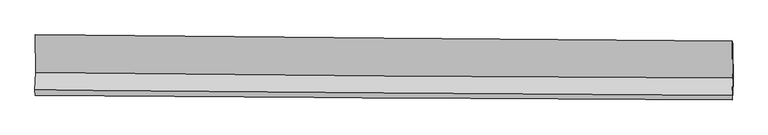
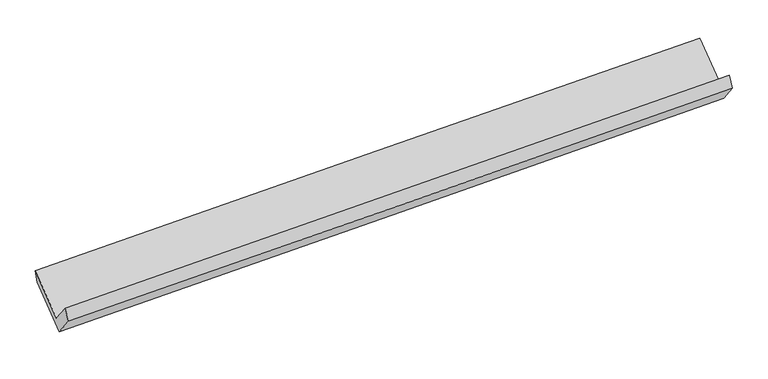
"""IFC4 building model written with IfcOpenShell, lengths in millimetres: proxy geometry."""

from ifc_helpers import new_model, si_unit, frame, origin, place, context, project, spatial, source, transform, mapped, element, save
from ifc_brep_helpers import plane_surface, spline_curve, spline_surface, advanced_brep


def generic_models_79400047(model_context):
    return source(origin(), model_context, "Body", "AdvancedBrep", [
        advanced_brep(
        [(-4779.1174335, -1673.8169245, 1675.136016), (-4789.7308081, -1912.4702729, 1975.060115), (4763.7163545, -1984.6119712, 2236.5460302), (4774.3297291, -1745.9586227, 1936.6219313), (-4785.9482384, -1984.8463175, 1817.2630042), (4767.7757213, -2050.7639297, 2070.9268905), (-4775.1747004, -1742.5915172, 1512.8128335), (4778.2724623, -1814.7332155, 1774.2987488), (-4782.3112179, -1205.2673138, 1940.1158689), (4771.2918652, -1289.1486064, 2192.2659599), (-4786.0248137, -1153.7449838, 2088.719319), (4767.5782694, -1237.6262764, 2340.8694101)],
        [
            (0, 1),
            (1, 2, spline_curve(3, [(-4789.7308081, -1912.4702729, 1975.060115), (-3198.608688411, -1929.412926325, 2021.073462533), (-1607.434129203, -1943.893801383, 2065.857534425), (1577.048124282, -1967.947313954, 2153.022641477), (3170.355952628, -1977.513671952, 2195.400542072), (4763.7163545, -1984.6119712, 2236.5460302)], [4, 2, 4], [0.0, 15.668023180398555, 31.35601760049194])),
            (2, 3),
            (3, 0, spline_curve(3, [(4774.3297291, -1745.9586227, 1936.6219313), (3180.969327228, -1738.860323452, 1895.476443172), (1587.661498782, -1729.293965454, 1853.098542477), (-1596.820754703, -1705.240452883, 1765.933435425), (-3187.995313811, -1690.759577925, 1721.149363533), (-4779.1174335, -1673.8169245, 1675.136016)], [4, 2, 4], [0.0, 15.687994420093384, 31.35601760049194])),
            (1, 4),
            (4, 5, spline_curve(3, [(-4785.9482384, -1984.8463175, 1817.2630042), (-3194.687749533, -1998.677588782, 1859.36616793), (-1603.420924844, -2011.083768404, 1901.54289632), (1581.153712164, -2033.059940835, 1986.0973372), (3174.461540797, -2042.626299061, 2028.475237556), (4767.7757213, -2050.7639297, 2070.9268905)], [4, 2, 4], [0.0, 15.668025562954451, 31.356022368640655])),
            (5, 2),
            (4, 6),
            (6, 7, spline_curve(3, [(-4775.1747004, -1742.5915172, 1512.8128335), (-3184.052580567, -1759.53417059, 1558.82618124), (-1592.878021663, -1774.015045422, 1603.610252569), (1591.604232142, -1798.068558515, 1690.775360334), (3184.912060774, -1807.634916218, 1733.153260691), (4778.2724623, -1814.7332155, 1774.2987488)], [4, 2, 4], [0.0, 15.668025562954451, 31.356022368640655])),
            (7, 5),
            (6, 8),
            (8, 9, spline_curve(3, [(-4782.3112179, -1205.2673138, 1940.1158689), (-3191.215035268, -1220.257103475, 1987.682216492), (-1600.040476068, -1234.737978437, 2032.466288378), (1584.493684608, -1262.699707716, 2116.523415794), (3177.853486545, -1276.179263661, 2155.789374882), (4771.2918652, -1289.1486064, 2192.2659599)], [4, 2, 4], [0.0, 15.668014137043782, 31.355999502255283])),
            (9, 7),
            (8, 10),
            (10, 11, spline_curve(3, [(-4786.0248137, -1153.7449838, 2088.719319), (-3194.928631054, -1168.734773948, 2136.285666857), (-1603.754072002, -1183.215648742, 2181.069738281), (1580.780088942, -1211.177377411, 2265.126866091), (3174.139891014, -1224.656933698, 2304.39282496), (4767.5782694, -1237.6262764, 2340.8694101)], [4, 2, 4], [0.0, 15.668026094496955, 31.356023432403195])),
            (11, 9),
            (10, 0),
            (3, 11),
        ],
        [
            spline_surface(3, 3, [[(-4779.1174335, -1673.8169245, 1675.136016), (-3187.995313851, -1690.759578049, 1721.149363709), (-1596.820754846, -1705.24045288, 1765.933435185), (1587.661498925, -1729.293965456, 1853.098542718), (3180.96932744, -1738.860323293, 1895.476443057), (4774.3297291, -1745.9586227, 1936.6219313)], [(-4782.655225015, -1753.368040666, 1775.110715649), (-3191.533105366, -1770.310694215, 1821.124063358), (-1600.35854636, -1784.791569046, 1865.908134834), (1584.12370741, -1808.845081622, 1953.073242367), (3177.431535926, -1818.411439459, 1995.451142706), (4770.791937585, -1825.509738866, 2036.596630949)], [(-4786.193016585, -1832.919156734, 1875.085415351), (-3195.070896937, -1849.861810283, 1921.098763059), (-1603.896337831, -1864.342685214, 1965.882834536), (1580.585915939, -1888.39619779, 2053.047942069), (3173.893744355, -1897.962555627, 2095.425842308), (4767.254146015, -1905.060855034, 2136.571330551)], [(-4789.7308081, -1912.4702729, 1975.060115), (-3198.608688451, -1929.412926449, 2021.073462709), (-1607.434129346, -1943.89380138, 2065.857534185), (1577.048124425, -1967.947313956, 2153.022641718), (3170.35595284, -1977.513671793, 2195.400541957), (4763.7163545, -1984.6119712, 2236.5460302)]], [4, 4], [4, 2, 4], [0.0, 1.2579894029081116], [0.0, 15.668023180398555, 31.35601760049194]),
            spline_surface(3, 3, [[(-4789.7308081, -1912.4702729, 1975.060115), (-3198.608688451, -1929.412926449, 2021.073462709), (-1607.434129346, -1943.89380138, 2065.857534185), (1577.048124425, -1967.947313956, 2153.022641718), (3170.35595284, -1977.513671793, 2195.400541957), (4763.7163545, -1984.6119712, 2236.5460302)], [(-4788.46995154, -1936.595621073, 1922.461078062), (-3197.301708835, -1952.501147186, 1967.171031061), (-1606.096394495, -1966.290457003, 2011.085988213), (1578.416653711, -1989.651522961, 2097.380873605), (3171.724482127, -1999.217880798, 2139.758773844), (4765.069476762, -2006.66262403, 2181.339650288)], [(-4787.20909496, -1960.720969327, 1869.862041138), (-3195.994729198, -1975.589368003, 1913.268599428), (-1604.75865973, -1988.687112636, 1956.314442177), (1579.785182912, -2011.355731976, 2041.739105428), (3173.093011428, -2020.922089813, 2084.117005767), (4766.422599038, -2028.71327687, 2126.133270412)], [(-4785.9482384, -1984.8463175, 1817.2630042), (-3194.687749581, -1998.67758874, 1859.366167781), (-1603.42092488, -2011.083768258, 1901.542896205), (1581.153712199, -2033.059940981, 1986.097337315), (3174.461540715, -2042.626298818, 2028.475237654), (4767.7757213, -2050.7639297, 2070.9268905)]], [4, 4], [4, 2, 4], [0.0, 0.5852674782444768], [0.0, 15.668025562954451, 31.356022368640655]),
            spline_surface(3, 3, [[(-4785.9482384, -1984.8463175, 1817.2630042), (-3194.687749581, -1998.67758874, 1859.366167781), (-1603.42092488, -2011.083768258, 1901.542896205), (1581.153712199, -2033.059940981, 1986.097337315), (3174.461540715, -2042.626298818, 2028.475237654), (4767.7757213, -2050.7639297, 2070.9268905)], [(-4782.357059051, -1904.094717424, 1715.779613987), (-3191.142693289, -1918.9631161, 1759.186172276), (-1599.906623821, -1932.060860733, 1802.232015026), (1584.637218821, -1954.729480073, 1887.656678276), (3177.945047337, -1964.295837911, 1930.034578615), (4771.274634947, -1972.087024967, 1972.050843261)], [(-4778.765879749, -1823.343117276, 1614.296223713), (-3187.597637044, -1839.248643389, 1659.006176713), (-1596.392322704, -1853.037953206, 1702.921133865), (1588.120725503, -1876.399019164, 1789.216019256), (3181.428554018, -1885.965377001, 1831.593919595), (4774.773548653, -1893.410120233, 1873.174796039)], [(-4775.1747004, -1742.5915172, 1512.8128335), (-3184.052580751, -1759.534170749, 1558.826181209), (-1592.878021646, -1774.01504568, 1603.610252685), (1591.604232125, -1798.068558256, 1690.775360218), (3184.91206064, -1807.634916093, 1733.153260557), (4778.2724623, -1814.7332155, 1774.2987488)]], [4, 4], [4, 2, 4], [0.0, 1.244154519588321], [0.0, 15.668025562954451, 31.356022368640655]),
            spline_surface(3, 3, [[(-4775.1747004, -1742.5915172, 1512.8128335), (-3184.052580751, -1759.534170749, 1558.826181209), (-1592.878021646, -1774.01504568, 1603.610252685), (1591.604232125, -1798.068558256, 1690.775360218), (3184.91206064, -1807.634916093, 1733.153260557), (4778.2724623, -1814.7332155, 1774.2987488)], [(-4777.553539571, -1563.483449373, 1655.247178618), (-3186.440065631, -1579.775148373, 1701.77819304), (-1595.265506526, -1594.256023305, 1746.562264517), (1589.234049682, -1619.612274717, 1832.691378779), (3182.55920269, -1630.483031926, 1874.031965319), (4775.945596605, -1639.538345789, 1913.62115252)], [(-4779.932378729, -1384.375381627, 1797.681523782), (-3188.827550498, -1400.016126078, 1844.730204917), (-1597.652991392, -1414.497000909, 1889.514276394), (1586.863867254, -1441.155991158, 1974.607397385), (3180.206344724, -1453.331147792, 2014.910670019), (4773.618730895, -1464.343476111, 2052.94355618)], [(-4782.3112179, -1205.2673138, 1940.1158689), (-3191.215035378, -1220.257103703, 1987.682216749), (-1600.040476272, -1234.737978534, 2032.466288226), (1584.493684811, -1262.699707619, 2116.523415946), (3177.853486774, -1276.179263625, 2155.789374781), (4771.2918652, -1289.1486064, 2192.2659599)]], [4, 4], [4, 2, 4], [0.0, 2.2524574187592723], [0.0, 15.668014137043782, 31.355999502255283]),
            spline_surface(3, 3, [[(-4782.3112179, -1205.2673138, 1940.1158689), (-3191.215035378, -1220.257103703, 1987.682216749), (-1600.040476272, -1234.737978534, 2032.466288226), (1584.493684811, -1262.699707619, 2116.523415946), (3177.853486774, -1276.179263625, 2155.789374781), (4771.2918652, -1289.1486064, 2192.2659599)], [(-4783.549083158, -1188.09320381, 1989.650352278), (-3192.452900635, -1203.082993713, 2037.216700127), (-1601.278341529, -1217.563868544, 2082.000771604), (1583.255819554, -1245.525597629, 2166.057899324), (3176.615621517, -1259.005153635, 2205.323858158), (4770.053999942, -1271.97449641, 2241.800443278)], [(-4784.786948442, -1170.91909379, 2039.184835622), (-3193.69076592, -1185.908883692, 2086.751183471), (-1602.516206814, -1200.389758524, 2131.535254948), (1582.017954269, -1228.351487609, 2215.592382668), (3175.377756232, -1241.831043614, 2254.858341603), (4768.816134658, -1254.80038639, 2291.334926722)], [(-4786.0248137, -1153.7449838, 2088.719319), (-3194.928631178, -1168.734773703, 2136.285666849), (-1603.754072072, -1183.215648534, 2181.069738326), (1580.780089011, -1211.177377619, 2265.126866046), (3174.139890974, -1224.656933625, 2304.392824981), (4767.5782694, -1237.6262764, 2340.8694101)]], [4, 4], [4, 2, 4], [0.0, 0.5161599199633212], [0.0, 15.668026094496955, 31.356023432403195]),
            spline_surface(3, 3, [[(-4786.0248137, -1153.7449838, 2088.719319), (-3194.928631178, -1168.734773703, 2136.285666849), (-1603.754072072, -1183.215648534, 2181.069738326), (1580.780089011, -1211.177377619, 2265.126866046), (3174.139890974, -1224.656933625, 2304.392824981), (4767.5782694, -1237.6262764, 2340.8694101)], [(-4783.722353665, -1327.102297353, 1950.858218006), (-3192.617525434, -1342.743041804, 1997.906899142), (-1601.442966328, -1357.223916636, 2042.690970619), (1583.073892317, -1383.882906884, 2127.784091609), (3176.416369788, -1396.058063518, 2168.087364344), (4769.828755958, -1407.070391837, 2206.120250504)], [(-4781.419893535, -1500.459610947, 1812.997116994), (-3190.306419595, -1516.751309947, 1859.528131416), (-1599.131860589, -1531.232184779, 1904.312202893), (1585.367695619, -1556.588436191, 1990.441317154), (3178.692848627, -1567.4591934, 2031.781903694), (4772.079242542, -1576.514507263, 2071.371090896)], [(-4779.1174335, -1673.8169245, 1675.136016), (-3187.995313851, -1690.759578049, 1721.149363709), (-1596.820754846, -1705.24045288, 1765.933435185), (1587.661498925, -1729.293965456, 1853.098542718), (3180.96932744, -1738.860323293, 1895.476443057), (4774.3297291, -1745.9586227, 1936.6219313)]], [4, 4], [4, 2, 4], [0.0, 2.1801356112958272], [0.0, 15.668014137043784, 31.355999502255287]),
            plane_surface(frame((4770.494067, -1687.140437, 2091.9214951), z_axis=(0.9995627963914192, -0.00909676673192354, 0.028132986069579254), x_axis=(-0.023604531646045895, 0.3274886505307123, 0.9445602203456082))),
            plane_surface(frame((-4783.051202, -1612.1228883, 1834.8511928), z_axis=(-0.9995627963914195, 0.009096766731920423, -0.02813298606957454), x_axis=(-0.010394695309991606, 0.7826396231779622, 0.6223882795661161))),
        ],
        [
            (0, [[1, 2, 3, 4]]),
            (1, [[5, 6, 7, -2]]),
            (2, [[8, 9, 10, -6]]),
            (3, [[11, 12, 13, -9]]),
            (4, [[14, 15, 16, -12]]),
            (5, [[17, -4, 18, -15]]),
            (6, [[-16, -18, -3, -7, -10, -13]]),
            (7, [[-17, -14, -11, -8, -5, -1]]),
        ],
    ),
    ])


if __name__ == "__main__":
    model = new_model("IFC4")
    model_context = context("Model", 3, world=origin())
    ifc_project = project(units=[si_unit("LENGTHUNIT", "METRE", prefix="MILLI")], contexts=[model_context])
    site = spatial("IfcSite", under=ifc_project)
    building = spatial("IfcBuilding", under=site)
    placement = place(None, origin())
    generic_models_shape = generic_models_79400047(model_context)
    element("IfcBuildingElementProxy", 1, Name="Generic Models", at=placement, inside=building, context=model_context, shape_type="MappedRepresentation", body=[
        mapped(generic_models_shape, transform((0.0, 0.0, 0.0), x_axis=(1.0, 0.0, 0.0), y_axis=(0.0, 1.0, 0.0), z_axis=(0.0, 0.0, 1.0))),
    ])
    save(model, "model.ifc")
